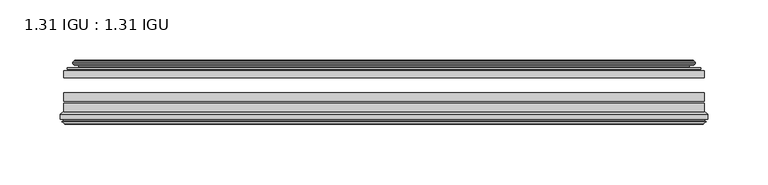
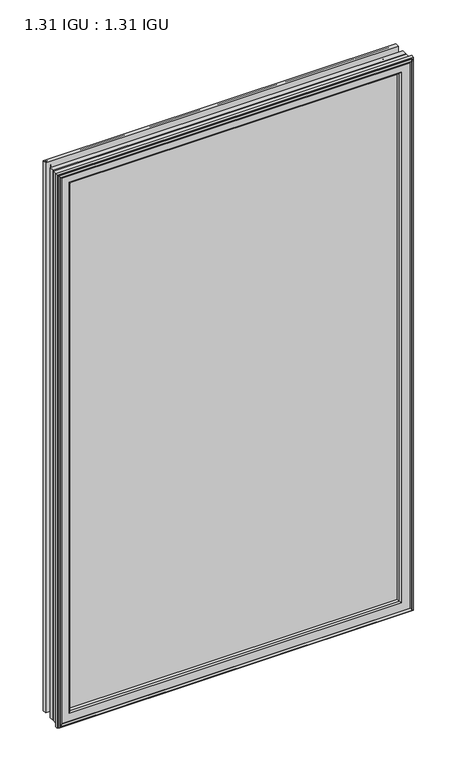
"""IFC4 building model written with IfcOpenShell, lengths in millimetres: plate geometry, 1.31 IGU : 1.31 IGU."""

from ifc_helpers import new_model, si_unit, frame, origin, place, context, project, spatial, polyline, ellipse_curve, outline, extrude, source, transform, mapped, element, save
from ifc_brep_helpers import plane_surface, cylinder_surface, revolved_surface, advanced_brep


def plate_1_31_igu_1_31_igu_5324c8da(model_context):
    return source(origin(), model_context, "Body", "SolidModel", [
        extrude(outline(polyline([(265.1083788, -44.8960875), (265.1083788, -50.4332875), (-265.1133138, -50.4332875), (-265.1133138, -44.8960875), (265.1083788, -44.8960875)])), frame((0.0, 0.0, -14.2875), z_axis=(0.0, 0.0, 1.0), x_axis=(1.0, 0.0, 0.0)), (0.0, 0.0, 1.0), 873.125),
        extrude(outline(polyline([(-265.1133138, -78.7796875), (-265.1133138, -71.7692875), (265.1083788, -71.7692875), (265.1083788, -78.7796875), (-265.1133138, -78.7796875)])), frame((0.0, 0.0, -14.2875), z_axis=(0.0, 0.0, 1.0), x_axis=(1.0, 0.0, 0.0)), (0.0, 0.0, 1.0), 873.125),
        extrude(outline(polyline([(-265.1133138, -70.2452875), (-265.1133138, -63.1332875), (265.1083788, -63.1332875), (265.1083788, -70.2452875), (-265.1133138, -70.2452875)])), frame((0.0, 0.0, -14.2875), z_axis=(0.0, 0.0, 1.0), x_axis=(1.0, 0.0, 0.0)), (0.0, 0.0, 1.0), 873.125),
        advanced_brep(
        [(-255.7679893, -37.7373382, 849.4921755), (-250.8263564, -36.3108875, 844.5505426), (-250.8263564, -36.3108875, -0.0005426), (-255.7679893, -37.7373382, -4.9421755), (-255.602884, -36.9605789, 849.3270702), (-255.602884, -36.9605789, -4.7770702), (-256.1983697, -36.4771203, 849.9225559), (-256.1983697, -36.4771203, -5.3725559), (-257.4630055, -37.766076, 851.1871917), (-257.4630055, -37.766076, -6.6371917), (-257.4521887, -38.8797852, 851.1763749), (-257.4521887, -38.8797852, -6.6263749), (-256.1707035, -40.1361433, 849.8948897), (-256.1707035, -40.1361433, -5.3448897), (-255.5656967, -39.649943, 849.2898829), (-255.5656967, -39.649943, -4.7398829), (-256.119711, -39.0959287, 849.8438972), (-256.119711, -39.0959287, -5.2938972), (-253.8339026, -38.7029881, 847.5580887), (-253.8339026, -38.7029881, -3.0080887), (-252.3748295, -40.2107282, 846.0990157), (-252.3748295, -40.2107282, -1.5490157), (-252.6714114, -41.651269, 846.3955976), (-252.6714114, -41.651269, -1.8455976), (-253.4426359, -42.2798875, 847.1668221), (-253.4426359, -42.2798875, -2.6168221), (-261.7466122, -43.4871542, 855.4707984), (-261.4714108, -42.2798875, 855.1955969), (-261.4714108, -42.2798875, -10.6455969), (-261.7466122, -43.4871542, -10.9207984), (-258.2890436, -44.8960875, 852.0132297), (-258.2890436, -44.8960875, -7.4632297), (-247.1914198, -44.023302, 840.9156059), (-247.5467577, -44.8960875, 841.2709439), (-247.5467577, -44.8960875, 3.2790561), (-247.1914198, -44.023302, 3.6343941), (-247.8626178, -43.3681812, 841.586804), (-247.8626178, -43.3681812, 2.963196), (-249.5034084, -40.6686056, 843.2275946), (-249.5034084, -40.6686056, 1.3224054), (250.8263564, -36.3108875, -0.0005426), (255.7679893, -37.7373382, -4.9421755), (255.602884, -36.9605789, -4.7770702), (256.1983697, -36.4771203, -5.3725559), (257.4630055, -37.766076, -6.6371917), (257.4521887, -38.8797852, -6.6263749), (256.1707035, -40.1361433, -5.3448897), (255.5656967, -39.649943, -4.7398829), (256.119711, -39.0959287, -5.2938972), (253.8339026, -38.7029881, -3.0080887), (252.3748295, -40.2107282, -1.5490157), (252.6714114, -41.651269, -1.8455976), (253.4426359, -42.2798875, -2.6168221), (261.4714108, -42.2798875, -10.6455969), (261.7466122, -43.4871542, -10.9207984), (258.2890436, -44.8960875, -7.4632297), (247.5467577, -44.8960875, 3.2790561), (247.1914198, -44.023302, 3.6343941), (247.8626178, -43.3681812, 2.963196), (249.5034084, -40.6686056, 1.3224054), (250.8263564, -36.3108875, 844.5505426), (255.7679893, -37.7373382, 849.4921755), (255.602884, -36.9605789, 849.3270702), (256.1983697, -36.4771203, 849.9225559), (257.4630055, -37.766076, 851.1871917), (257.4521887, -38.8797852, 851.1763749), (256.1707035, -40.1361433, 849.8948897), (255.5656967, -39.649943, 849.2898829), (256.119711, -39.0959287, 849.8438972), (253.8339026, -38.7029881, 847.5580887), (252.3748295, -40.2107282, 846.0990157), (252.6714114, -41.651269, 846.3955976), (253.4426359, -42.2798875, 847.1668221), (261.4714108, -42.2798875, 855.1955969), (261.7466122, -43.4871542, 855.4707984), (258.2890436, -44.8960875, 852.0132297), (247.5467577, -44.8960875, 841.2709439), (247.1914198, -44.023302, 840.9156059), (247.8626178, -43.3681812, 841.586804), (249.5034084, -40.6686056, 843.2275946)],
        [
            (0, 1),
            (1, 2),
            (2, 3),
            (3, 0),
            (4, 0),
            (3, 5),
            (5, 4),
            (6, 4, ellipse_curve(frame((-255.923401, -36.746901, 849.6475871), z_axis=(-0.7071067811865475, 0.0, -0.7071067811865475), x_axis=(-0.7071067811865474, 0.0, 0.7071067811865476)), 0.5447741, 0.3852135)),
            (5, 7, ellipse_curve(frame((-255.923401, -36.746901, -5.0975871), z_axis=(-0.7071067811865475, 0.0, 0.7071067811865475), x_axis=(0.7071067811865474, 0.0, 0.7071067811865476)), 0.5447741, 0.3852135)),
            (7, 6),
            (8, 6),
            (7, 9),
            (9, 8),
            (10, 8, ellipse_curve(frame((-256.9009525, -38.3175243, 850.6251387), z_axis=(-0.7071067811865475, 0.0, -0.7071067811865475), x_axis=(-0.7071067811865474, 0.0, 0.7071067811865476)), 1.1135518, 0.7874)),
            (9, 11, ellipse_curve(frame((-256.9009525, -38.3175243, -6.0751387), z_axis=(-0.7071067811865475, 0.0, 0.7071067811865475), x_axis=(0.7071067811865474, 0.0, 0.7071067811865476)), 1.1135518, 0.7874)),
            (11, 10),
            (12, 10),
            (11, 13),
            (13, 12),
            (14, 12, ellipse_curve(frame((-255.8971061, -39.8570738, 849.6212922), z_axis=(-0.7071067811865475, 0.0, -0.7071067811865475), x_axis=(-0.7071067811865474, 0.0, 0.7071067811865476)), 0.552694, 0.3908137)),
            (13, 15, ellipse_curve(frame((-255.8971061, -39.8570738, -5.0712922), z_axis=(-0.7071067811865475, 0.0, 0.7071067811865475), x_axis=(0.7071067811865474, 0.0, 0.7071067811865476)), 0.552694, 0.3908137)),
            (15, 14),
            (16, 14),
            (15, 17),
            (17, 16),
            (18, 16),
            (17, 19),
            (19, 18),
            (20, 18, ellipse_curve(frame((-253.6187399, -39.954629, 847.3429261), z_axis=(0.7071067811865475, 0.0, 0.7071067811865475), x_axis=(0.7071067811865474, 0.0, -0.7071067811865476)), 1.7960512, 1.27)),
            (19, 21, ellipse_curve(frame((-253.6187399, -39.954629, -2.7929261), z_axis=(0.7071067811865475, 0.0, -0.7071067811865475), x_axis=(-0.7071067811865474, 0.0, -0.7071067811865476)), 1.7960512, 1.27)),
            (21, 20),
            (22, 20),
            (21, 23),
            (23, 22),
            (24, 22, ellipse_curve(frame((-253.4426359, -41.4924875, 847.1668221), z_axis=(0.7071067811865475, 0.0, 0.7071067811865475), x_axis=(0.7071067811865474, 0.0, -0.7071067811865476)), 1.1135518, 0.7874)),
            (23, 25, ellipse_curve(frame((-253.4426359, -41.4924875, -2.6168221), z_axis=(0.7071067811865475, 0.0, -0.7071067811865475), x_axis=(-0.7071067811865474, 0.0, -0.7071067811865476)), 1.1135518, 0.7874)),
            (25, 24),
            (26, 27, ellipse_curve(frame((-261.4714108, -42.9148875, 855.1955969), z_axis=(-0.7071067811865475, 0.0, -0.7071067811865475), x_axis=(-0.7071067811865474, 0.0, 0.7071067811865476)), 0.8980256, 0.635)),
            (27, 28),
            (28, 29, ellipse_curve(frame((-261.4714108, -42.9148875, -10.6455969), z_axis=(-0.7071067811865475, 0.0, 0.7071067811865475), x_axis=(0.7071067811865474, 0.0, 0.7071067811865476)), 0.8980256, 0.635)),
            (29, 26),
            (30, 26),
            (29, 31),
            (31, 30),
            (32, 33, ellipse_curve(frame((-247.5467577, -44.3873602, 841.2709439), z_axis=(-0.7071067811865475, 0.0, -0.7071067811865475), x_axis=(-0.7071067811865474, 0.0, 0.7071067811865476)), 0.719449, 0.5087273)),
            (33, 34),
            (34, 35, ellipse_curve(frame((-247.5467577, -44.3873602, 3.2790561), z_axis=(-0.7071067811865475, 0.0, 0.7071067811865475), x_axis=(0.7071067811865474, 0.0, 0.7071067811865476)), 0.719449, 0.5087273)),
            (35, 32),
            (36, 32),
            (35, 37),
            (37, 36),
            (38, 36, ellipse_curve(frame((-243.4272436, -38.823959, 837.1514298), z_axis=(0.7071067811865475, 0.0, 0.7071067811865475), x_axis=(0.7071067811865474, 0.0, -0.7071067811865476)), 8.9802561, 6.35)),
            (37, 39, ellipse_curve(frame((-243.4272436, -38.823959, 7.3985702), z_axis=(0.7071067811865475, 0.0, -0.7071067811865475), x_axis=(-0.7071067811865474, 0.0, -0.7071067811865476)), 8.9802561, 6.35)),
            (39, 38),
            (1, 38),
            (39, 2),
            (2, 40),
            (40, 41),
            (41, 3),
            (41, 42),
            (42, 5),
            (42, 43, ellipse_curve(frame((255.923401, -36.746901, -5.0975871), z_axis=(-0.7071067811865475, 0.0, -0.7071067811865475), x_axis=(-0.7071067811865476, 0.0, 0.7071067811865474)), 0.5447741, 0.3852135)),
            (43, 7),
            (43, 44),
            (44, 9),
            (44, 45, ellipse_curve(frame((256.9009525, -38.3175243, -6.0751387), z_axis=(-0.7071067811865475, 0.0, -0.7071067811865475), x_axis=(-0.7071067811865476, 0.0, 0.7071067811865474)), 1.1135518, 0.7874)),
            (45, 11),
            (45, 46),
            (46, 13),
            (46, 47, ellipse_curve(frame((255.8971061, -39.8570738, -5.0712922), z_axis=(-0.7071067811865475, 0.0, -0.7071067811865475), x_axis=(-0.7071067811865476, 0.0, 0.7071067811865474)), 0.552694, 0.3908137)),
            (47, 15),
            (47, 48),
            (48, 17),
            (48, 49),
            (49, 19),
            (49, 50, ellipse_curve(frame((253.6187399, -39.954629, -2.7929261), z_axis=(0.7071067811865475, 0.0, 0.7071067811865475), x_axis=(0.7071067811865476, 0.0, -0.7071067811865474)), 1.7960512, 1.27)),
            (50, 21),
            (50, 51),
            (51, 23),
            (51, 52, ellipse_curve(frame((253.4426359, -41.4924875, -2.6168221), z_axis=(0.7071067811865475, 0.0, 0.7071067811865475), x_axis=(0.7071067811865476, 0.0, -0.7071067811865474)), 1.1135518, 0.7874)),
            (52, 25),
            (28, 53),
            (53, 54, ellipse_curve(frame((261.4714108, -42.9148875, -10.6455969), z_axis=(-0.7071067811865475, 0.0, -0.7071067811865475), x_axis=(-0.7071067811865476, 0.0, 0.7071067811865474)), 0.8980256, 0.635)),
            (54, 29),
            (54, 55),
            (55, 31),
            (34, 56),
            (56, 57, ellipse_curve(frame((247.5467577, -44.3873602, 3.2790561), z_axis=(-0.7071067811865475, 0.0, -0.7071067811865475), x_axis=(-0.7071067811865476, 0.0, 0.7071067811865474)), 0.719449, 0.5087273)),
            (57, 35),
            (57, 58),
            (58, 37),
            (58, 59, ellipse_curve(frame((243.4272436, -38.823959, 7.3985702), z_axis=(0.7071067811865475, 0.0, 0.7071067811865475), x_axis=(0.7071067811865476, 0.0, -0.7071067811865474)), 8.9802561, 6.35)),
            (59, 39),
            (59, 40),
            (40, 60),
            (60, 61),
            (61, 41),
            (61, 62),
            (62, 42),
            (62, 63, ellipse_curve(frame((255.923401, -36.746901, 849.6475871), z_axis=(0.7071067811865475, 0.0, -0.7071067811865475), x_axis=(-0.7071067811865474, 0.0, -0.7071067811865476)), 0.5447741, 0.3852135)),
            (63, 43),
            (63, 64),
            (64, 44),
            (64, 65, ellipse_curve(frame((256.9009525, -38.3175243, 850.6251387), z_axis=(0.7071067811865475, 0.0, -0.7071067811865475), x_axis=(-0.7071067811865474, 0.0, -0.7071067811865476)), 1.1135518, 0.7874)),
            (65, 45),
            (65, 66),
            (66, 46),
            (66, 67, ellipse_curve(frame((255.8971061, -39.8570738, 849.6212922), z_axis=(0.7071067811865475, 0.0, -0.7071067811865475), x_axis=(-0.7071067811865474, 0.0, -0.7071067811865476)), 0.552694, 0.3908137)),
            (67, 47),
            (67, 68),
            (68, 48),
            (68, 69),
            (69, 49),
            (69, 70, ellipse_curve(frame((253.6187399, -39.954629, 847.3429261), z_axis=(-0.7071067811865475, 0.0, 0.7071067811865475), x_axis=(0.7071067811865474, 0.0, 0.7071067811865476)), 1.7960512, 1.27)),
            (70, 50),
            (70, 71),
            (71, 51),
            (71, 72, ellipse_curve(frame((253.4426359, -41.4924875, 847.1668221), z_axis=(-0.7071067811865475, 0.0, 0.7071067811865475), x_axis=(0.7071067811865474, 0.0, 0.7071067811865476)), 1.1135518, 0.7874)),
            (72, 52),
            (53, 73),
            (73, 74, ellipse_curve(frame((261.4714108, -42.9148875, 855.1955969), z_axis=(0.7071067811865475, 0.0, -0.7071067811865475), x_axis=(-0.7071067811865474, 0.0, -0.7071067811865476)), 0.8980256, 0.635)),
            (74, 54),
            (74, 75),
            (75, 55),
            (56, 76),
            (76, 77, ellipse_curve(frame((247.5467577, -44.3873602, 841.2709439), z_axis=(0.7071067811865475, 0.0, -0.7071067811865475), x_axis=(-0.7071067811865474, 0.0, -0.7071067811865476)), 0.719449, 0.5087273)),
            (77, 57),
            (77, 78),
            (78, 58),
            (78, 79, ellipse_curve(frame((243.4272436, -38.823959, 837.1514298), z_axis=(-0.7071067811865475, 0.0, 0.7071067811865475), x_axis=(0.7071067811865474, 0.0, 0.7071067811865476)), 8.9802561, 6.35)),
            (79, 59),
            (79, 60),
            (60, 1),
            (0, 61),
            (4, 62),
            (6, 63),
            (8, 64),
            (10, 65),
            (12, 66),
            (14, 67),
            (16, 68),
            (18, 69),
            (20, 70),
            (22, 71),
            (24, 72),
            (27, 73),
            (26, 74),
            (30, 75),
            (33, 76),
            (32, 77),
            (36, 78),
            (38, 79),
        ],
        [
            plane_surface(frame((-250.8263564, -36.3108875, 844.5505426), z_axis=(-0.2773364928492854, 0.9607728502273877, 0.0), x_axis=(0.0, 0.0, -1.0))),
            plane_surface(frame((-255.7679893, -37.7373382, 849.4921755), z_axis=(0.9781476007338358, -0.2079116908176177, 0.0), x_axis=(0.0, 0.0, -1.0))),
            cylinder_surface(frame((-255.923401, -36.746901, 876.3), z_axis=(0.0, 0.0, 1.0), x_axis=(-1.0, 0.0, 0.0)), 0.3852135),
            plane_surface(frame((-256.1983697, -36.4771203, 849.9225559), z_axis=(-0.7138087599382162, 0.7003406701280928, 0.0), x_axis=(0.0, 0.0, -1.0))),
            cylinder_surface(frame((-256.9009525, -38.3175243, 876.3), z_axis=(0.0, 0.0, 1.0), x_axis=(-1.0, 0.0, 0.0)), 0.7874),
            plane_surface(frame((-257.4521887, -38.8797852, 851.1763749), z_axis=(-0.7000714109283732, -0.7140728391423082, 0.0), x_axis=(0.0, 0.0, -1.0))),
            cylinder_surface(frame((-255.8971061, -39.8570738, 876.3), z_axis=(0.0, 0.0, 1.0), x_axis=(-1.0, 0.0, 0.0)), 0.3908137),
            plane_surface(frame((-255.5656967, -39.649943, 849.2898829), z_axis=(0.7071067811861126, 0.7071067811869826, 0.0), x_axis=(0.0, 0.0, -1.0))),
            plane_surface(frame((-256.119711, -39.0959287, 849.8438972), z_axis=(0.16941940671011482, -0.9855440449974789, 0.0), x_axis=(0.0, 0.0, -1.0))),
            revolved_surface(polyline([(-254.88873990000002, -39.954629, -4.0629260828783345), (-254.88873990000002, -39.954629, 848.6129260828783)]), (-253.6187399, -39.954629, 876.3), (0.0, 0.0, -1.0)),
            plane_surface(frame((-252.3748295, -40.2107282, 846.0990157), z_axis=(-0.9794570432566897, 0.201652920670302, 0.0), x_axis=(0.0, 0.0, -1.0))),
            revolved_surface(polyline([(-254.2300359, -41.4924875, -3.4042221289824965), (-254.2300359, -41.4924875, 847.9542221289825)]), (-253.4426359, -41.4924875, 876.3), (0.0, 0.0, -1.0)),
            cylinder_surface(frame((-261.4714108, -42.9148875, 876.3), z_axis=(0.0, 0.0, 1.0), x_axis=(-1.0, 0.0, 0.0)), 0.635),
            plane_surface(frame((-261.7466122, -43.4871542, 855.4707984), z_axis=(-0.37736447542757934, -0.9260648209954139, 0.0), x_axis=(0.0, 0.0, -1.0))),
            cylinder_surface(frame((-247.5467577, -44.3873602, 876.3), z_axis=(0.0, 0.0, 1.0), x_axis=(-1.0, 0.0, 0.0)), 0.5087273),
            plane_surface(frame((-247.1914198, -44.023302, 840.9156059), z_axis=(0.698484125849927, 0.7156255486884628, 0.0), x_axis=(0.0, 0.0, -1.0))),
            revolved_surface(polyline([(-249.7772436, -38.823959, 1.0485702148981773), (-249.7772436, -38.823959, 843.5014297851018)]), (-243.4272436, -38.823959, 876.3), (0.0, 0.0, -1.0)),
            plane_surface(frame((-249.5034084, -40.6686056, 843.2275946), z_axis=(0.9568763473517009, 0.2904955350411895, 0.0), x_axis=(0.0, 0.0, -1.0))),
            plane_surface(frame((-250.8263564, -36.3108875, -0.0005426), z_axis=(0.0, 0.9607728502273868, -0.2773364928492885), x_axis=(1.0, 0.0, 0.0))),
            plane_surface(frame((-255.7679893, -37.7373382, -4.9421755), z_axis=(0.0, -0.20791169081761454, 0.9781476007338364), x_axis=(1.0, 0.0, 0.0))),
            cylinder_surface(frame((-282.5758138, -36.746901, -5.0975871), z_axis=(-1.0, 0.0, 0.0), x_axis=(0.0, 0.0, -1.0)), 0.3852135),
            plane_surface(frame((-256.1983697, -36.4771203, -5.3725559), z_axis=(0.0, 0.7003406701280904, -0.7138087599382185), x_axis=(1.0, 0.0, 0.0))),
            cylinder_surface(frame((-282.5758138, -38.3175243, -6.0751387), z_axis=(-1.0, 0.0, 0.0), x_axis=(0.0, 0.0, -1.0)), 0.7874),
            plane_surface(frame((-257.4521887, -38.8797852, -6.6263749), z_axis=(0.0, -0.7140728391423105, -0.7000714109283709), x_axis=(1.0, 0.0, 0.0))),
            cylinder_surface(frame((-282.5758138, -39.8570738, -5.0712922), z_axis=(-1.0, 0.0, 0.0), x_axis=(0.0, 0.0, -1.0)), 0.3908137),
            plane_surface(frame((-255.5656967, -39.649943, -4.7398829), z_axis=(0.0, 0.7071067811869849, 0.7071067811861103), x_axis=(1.0, 0.0, 0.0))),
            plane_surface(frame((-256.119711, -39.0959287, -5.2938972), z_axis=(0.0, -0.9855440449974784, 0.16941940671011801), x_axis=(1.0, 0.0, 0.0))),
            revolved_surface(polyline([(254.88873988287833, -39.954629, -4.0629261), (-254.88873988287824, -39.954629, -4.0629261)]), (-282.5758138, -39.954629, -2.7929261), (1.0, 0.0, 0.0)),
            plane_surface(frame((-252.3748295, -40.2107282, -1.5490157), z_axis=(0.0, 0.20165292067029883, -0.9794570432566904), x_axis=(1.0, 0.0, 0.0))),
            revolved_surface(polyline([(254.2300359289825, -41.4924875, -3.4042220999999997), (-254.2300359289825, -41.4924875, -3.4042220999999997)]), (-282.5758138, -41.4924875, -2.6168221), (1.0, 0.0, 0.0)),
            cylinder_surface(frame((-282.5758138, -42.9148875, -10.6455969), z_axis=(-1.0, 0.0, 0.0), x_axis=(0.0, 0.0, -1.0)), 0.635),
            plane_surface(frame((-261.7466122, -43.4871542, -10.9207984), z_axis=(0.0, -0.9260648209954151, -0.37736447542757634), x_axis=(1.0, 0.0, 0.0))),
            cylinder_surface(frame((-282.5758138, -44.3873602, 3.2790561), z_axis=(-1.0, 0.0, 0.0), x_axis=(0.0, 0.0, -1.0)), 0.5087273),
            plane_surface(frame((-247.1914198, -44.023302, 3.6343941), z_axis=(0.0, 0.7156255486884651, 0.6984841258499247), x_axis=(1.0, 0.0, 0.0))),
            revolved_surface(polyline([(249.77724358510181, -38.823959, 1.0485702000000003), (-249.77724358510187, -38.823959, 1.0485702000000003)]), (-282.5758138, -38.823959, 7.3985702), (1.0, 0.0, 0.0)),
            plane_surface(frame((-249.5034084, -40.6686056, 1.3224054), z_axis=(0.0, 0.29049553504119263, 0.9568763473517), x_axis=(1.0, 0.0, 0.0))),
            plane_surface(frame((250.8263564, -36.3108875, -0.0005426), z_axis=(0.2773364928492916, 0.9607728502273859, 0.0), x_axis=(0.0, 0.0, 1.0))),
            plane_surface(frame((255.7679893, -37.7373382, -4.9421755), z_axis=(-0.9781476007338371, -0.20791169081761138, 0.0), x_axis=(0.0, 0.0, 1.0))),
            cylinder_surface(frame((255.923401, -36.746901, -31.75), z_axis=(0.0, 0.0, -1.0), x_axis=(1.0, 0.0, 0.0)), 0.3852135),
            plane_surface(frame((256.1983697, -36.4771203, -5.3725559), z_axis=(0.7138087599382208, 0.7003406701280882, 0.0), x_axis=(0.0, 0.0, 1.0))),
            cylinder_surface(frame((256.9009525, -38.3175243, -31.75), z_axis=(0.0, 0.0, -1.0), x_axis=(1.0, 0.0, 0.0)), 0.7874),
            plane_surface(frame((257.4521887, -38.8797852, -6.6263749), z_axis=(0.7000714109283687, -0.7140728391423128, 0.0), x_axis=(0.0, 0.0, 1.0))),
            cylinder_surface(frame((255.8971061, -39.8570738, -31.75), z_axis=(0.0, 0.0, -1.0), x_axis=(1.0, 0.0, 0.0)), 0.3908137),
            plane_surface(frame((255.5656967, -39.649943, -4.7398829), z_axis=(-0.7071067811861079, 0.7071067811869872, 0.0), x_axis=(0.0, 0.0, 1.0))),
            plane_surface(frame((256.119711, -39.0959287, -5.2938972), z_axis=(-0.1694194067101212, -0.9855440449974778, 0.0), x_axis=(0.0, 0.0, 1.0))),
            revolved_surface(polyline([(254.88873990000002, -39.954629, 848.6129260828783), (254.88873990000002, -39.954629, -4.062926082878235)]), (253.6187399, -39.954629, -31.75), (0.0, 0.0, 1.0)),
            plane_surface(frame((252.3748295, -40.2107282, -1.5490157), z_axis=(0.979457043256691, 0.20165292067029567, 0.0), x_axis=(0.0, 0.0, 1.0))),
            revolved_surface(polyline([(254.2300359, -41.4924875, 847.9542221289825), (254.2300359, -41.4924875, -3.404222128982486)]), (253.4426359, -41.4924875, -31.75), (0.0, 0.0, 1.0)),
            cylinder_surface(frame((261.4714108, -42.9148875, -31.75), z_axis=(0.0, 0.0, -1.0), x_axis=(1.0, 0.0, 0.0)), 0.635),
            plane_surface(frame((261.7466122, -43.4871542, -10.9207984), z_axis=(0.37736447542757334, -0.9260648209954163, 0.0), x_axis=(0.0, 0.0, 1.0))),
            cylinder_surface(frame((247.5467577, -44.3873602, -31.75), z_axis=(0.0, 0.0, -1.0), x_axis=(1.0, 0.0, 0.0)), 0.5087273),
            plane_surface(frame((247.1914198, -44.023302, 3.6343941), z_axis=(-0.6984841258499224, 0.7156255486884673, 0.0), x_axis=(0.0, 0.0, 1.0))),
            revolved_surface(polyline([(249.7772436, -38.823959, 843.5014297851018), (249.7772436, -38.823959, 1.0485702148981417)]), (243.4272436, -38.823959, -31.75), (0.0, 0.0, 1.0)),
            plane_surface(frame((249.5034084, -40.6686056, 1.3224054), z_axis=(-0.9568763473516991, 0.29049553504119574, 0.0), x_axis=(0.0, 0.0, 1.0))),
            plane_surface(frame((250.8263564, -36.3108875, 844.5505426), z_axis=(0.0, 0.9607728502273868, 0.2773364928492885), x_axis=(-1.0, 0.0, 0.0))),
            plane_surface(frame((255.7679893, -37.7373382, 849.4921755), z_axis=(0.0, -0.20791169081761454, -0.9781476007338364), x_axis=(-1.0, 0.0, 0.0))),
            cylinder_surface(frame((282.5758138, -36.746901, 849.6475871), z_axis=(1.0, 0.0, 0.0), x_axis=(0.0, 0.0, 1.0)), 0.3852135),
            plane_surface(frame((256.1983697, -36.4771203, 849.9225559), z_axis=(0.0, 0.7003406701280904, 0.7138087599382185), x_axis=(-1.0, 0.0, 0.0))),
            cylinder_surface(frame((282.5758138, -38.3175243, 850.6251387), z_axis=(1.0, 0.0, 0.0), x_axis=(0.0, 0.0, 1.0)), 0.7874),
            plane_surface(frame((257.4521887, -38.8797852, 851.1763749), z_axis=(0.0, -0.7140728391423106, 0.700071410928371), x_axis=(-1.0, 0.0, 0.0))),
            cylinder_surface(frame((282.5758138, -39.8570738, 849.6212922), z_axis=(1.0, 0.0, 0.0), x_axis=(0.0, 0.0, 1.0)), 0.3908137),
            plane_surface(frame((255.5656967, -39.649943, 849.2898829), z_axis=(0.0, 0.7071067811869849, -0.7071067811861103), x_axis=(-1.0, 0.0, 0.0))),
            plane_surface(frame((256.119711, -39.0959287, 849.8438972), z_axis=(0.0, -0.9855440449974784, -0.16941940671011801), x_axis=(-1.0, 0.0, 0.0))),
            revolved_surface(polyline([(-254.88873988287833, -39.954629, 848.6129261), (254.88873988287824, -39.954629, 848.6129261)]), (282.5758138, -39.954629, 847.3429261), (-1.0, 0.0, 0.0)),
            plane_surface(frame((252.3748295, -40.2107282, 846.0990157), z_axis=(0.0, 0.20165292067029883, 0.9794570432566904), x_axis=(-1.0, 0.0, 0.0))),
            revolved_surface(polyline([(-254.2300359289825, -41.4924875, 847.9542221), (254.2300359289825, -41.4924875, 847.9542221)]), (282.5758138, -41.4924875, 847.1668221), (-1.0, 0.0, 0.0)),
            plane_surface(frame((253.4426359, -42.2798875, 847.1668221), z_axis=(0.0, 1.0, 0.0), x_axis=(-1.0, 0.0, 0.0))),
            cylinder_surface(frame((282.5758138, -42.9148875, 855.1955969), z_axis=(1.0, 0.0, 0.0), x_axis=(0.0, 0.0, 1.0)), 0.635),
            plane_surface(frame((261.7466122, -43.4871542, 855.4707984), z_axis=(0.0, -0.9260648209954151, 0.37736447542757634), x_axis=(-1.0, 0.0, 0.0))),
            plane_surface(frame((258.2890436, -44.8960875, 852.0132297), z_axis=(0.0, -1.0, 0.0), x_axis=(-1.0, 0.0, 0.0))),
            cylinder_surface(frame((282.5758138, -44.3873602, 841.2709439), z_axis=(1.0, 0.0, 0.0), x_axis=(0.0, 0.0, 1.0)), 0.5087273),
            plane_surface(frame((247.1914198, -44.023302, 840.9156059), z_axis=(0.0, 0.7156255486884651, -0.6984841258499247), x_axis=(-1.0, 0.0, 0.0))),
            revolved_surface(polyline([(-249.77724358510181, -38.823959, 843.5014298), (249.77724358510187, -38.823959, 843.5014298)]), (282.5758138, -38.823959, 837.1514298), (-1.0, 0.0, 0.0)),
            plane_surface(frame((249.5034084, -40.6686056, 843.2275946), z_axis=(0.0, 0.29049553504119263, -0.9568763473517), x_axis=(-1.0, 0.0, 0.0))),
        ],
        [
            (0, [[1, 2, 3, 4]]),
            (1, [[5, -4, 6, 7]]),
            (2, [[8, -7, 9, 10]]),
            (3, [[11, -10, 12, 13]]),
            (4, [[14, -13, 15, 16]]),
            (5, [[17, -16, 18, 19]]),
            (6, [[20, -19, 21, 22]]),
            (7, [[23, -22, 24, 25]]),
            (8, [[26, -25, 27, 28]]),
            (9, [[29, -28, 30, 31]]),
            (10, [[32, -31, 33, 34]]),
            (11, [[35, -34, 36, 37]]),
            (12, [[38, 39, 40, 41]]),
            (13, [[42, -41, 43, 44]]),
            (14, [[45, 46, 47, 48]]),
            (15, [[49, -48, 50, 51]]),
            (16, [[52, -51, 53, 54]]),
            (17, [[55, -54, 56, -2]]),
            (18, [[-3, 57, 58, 59]]),
            (19, [[-6, -59, 60, 61]]),
            (20, [[-9, -61, 62, 63]]),
            (21, [[-12, -63, 64, 65]]),
            (22, [[-15, -65, 66, 67]]),
            (23, [[-18, -67, 68, 69]]),
            (24, [[-21, -69, 70, 71]]),
            (25, [[-24, -71, 72, 73]]),
            (26, [[-27, -73, 74, 75]]),
            (27, [[-30, -75, 76, 77]]),
            (28, [[-33, -77, 78, 79]]),
            (29, [[-36, -79, 80, 81]]),
            (30, [[-40, 82, 83, 84]]),
            (31, [[-43, -84, 85, 86]]),
            (32, [[-47, 87, 88, 89]]),
            (33, [[-50, -89, 90, 91]]),
            (34, [[-53, -91, 92, 93]]),
            (35, [[-56, -93, 94, -57]]),
            (36, [[-58, 95, 96, 97]]),
            (37, [[-60, -97, 98, 99]]),
            (38, [[-62, -99, 100, 101]]),
            (39, [[-64, -101, 102, 103]]),
            (40, [[-66, -103, 104, 105]]),
            (41, [[-68, -105, 106, 107]]),
            (42, [[-70, -107, 108, 109]]),
            (43, [[-72, -109, 110, 111]]),
            (44, [[-74, -111, 112, 113]]),
            (45, [[-76, -113, 114, 115]]),
            (46, [[-78, -115, 116, 117]]),
            (47, [[-80, -117, 118, 119]]),
            (48, [[-83, 120, 121, 122]]),
            (49, [[-85, -122, 123, 124]]),
            (50, [[-88, 125, 126, 127]]),
            (51, [[-90, -127, 128, 129]]),
            (52, [[-92, -129, 130, 131]]),
            (53, [[-94, -131, 132, -95]]),
            (54, [[-96, 133, -1, 134]]),
            (55, [[-98, -134, -5, 135]]),
            (56, [[-100, -135, -8, 136]]),
            (57, [[-102, -136, -11, 137]]),
            (58, [[-104, -137, -14, 138]]),
            (59, [[-106, -138, -17, 139]]),
            (60, [[-108, -139, -20, 140]]),
            (61, [[-110, -140, -23, 141]]),
            (62, [[-112, -141, -26, 142]]),
            (63, [[-114, -142, -29, 143]]),
            (64, [[-116, -143, -32, 144]]),
            (65, [[-118, -144, -35, 145]]),
            (66, [[146, -120, -82, -39], [-81, -119, -145, -37]]),
            (67, [[-121, -146, -38, 147]]),
            (68, [[-123, -147, -42, 148]]),
            (69, [[-86, -124, -148, -44], [149, -125, -87, -46]]),
            (70, [[-126, -149, -45, 150]]),
            (71, [[-128, -150, -49, 151]]),
            (72, [[-130, -151, -52, 152]]),
            (73, [[-132, -152, -55, -133]]),
        ],
    ),
        advanced_brep(
        [(-248.1382632, -83.3389875, 841.8624494), (-249.9133294, -85.1296875, 843.6375155), (-249.9133294, -85.1296875, 0.9124845), (-248.1382632, -83.3389875, 2.6875506), (-247.115054, -78.7796875, 840.8392401), (-247.115054, -78.7796875, 3.7107599), (-267.695763, -80.9740477, 861.4199491), (-265.5014027, -78.7796875, 859.2255889), (-265.5014027, -78.7796875, -14.6755889), (-267.695763, -80.9740477, -16.8699491), (-267.695763, -85.1296875, 861.4199491), (-267.695763, -85.1296875, -16.8699491), (-265.1707028, -86.3747112, 858.8948889), (-265.9219297, -85.1296875, 859.6461159), (-265.9219297, -85.1296875, -15.0961159), (-265.1707028, -86.3747112, -14.3448889), (-264.8611737, -87.6502863, 858.5853598), (-264.8611737, -87.6502863, -14.0353598), (-265.8792871, -87.2076396, 859.6034732), (-265.8792871, -87.2076396, -15.0534732), (-264.1922977, -88.8840626, 857.9164838), (-266.6739971, -87.2076396, 860.3981832), (-266.6739971, -87.2076396, -15.8481832), (-264.1922977, -88.8840626, -13.3664838), (-262.0404723, -86.9401656, 855.7646584), (-262.0404723, -86.9401656, -11.2146584), (-263.7478265, -87.5528811, 857.4720126), (-262.8220453, -86.9401656, 856.5462314), (-262.8220453, -86.9401656, -11.9962314), (-263.7478265, -87.5528811, -12.9220126), (-263.6645011, -86.2429356, 857.3886873), (-263.6645011, -86.2429356, -12.8386873), (-263.0662631, -85.1296875, 856.7904492), (-263.0662631, -85.1296875, -12.2404492), (249.9133294, -85.1296875, 0.9124845), (248.1382632, -83.3389875, 2.6875506), (247.115054, -78.7796875, 3.7107599), (265.5014027, -78.7796875, -14.6755889), (267.695763, -80.9740477, -16.8699491), (267.695763, -85.1296875, -16.8699491), (265.9219297, -85.1296875, -15.0961159), (265.1707028, -86.3747112, -14.3448889), (264.8611737, -87.6502863, -14.0353598), (265.8792871, -87.2076396, -15.0534732), (266.6739971, -87.2076396, -15.8481832), (264.1922977, -88.8840626, -13.3664838), (262.0404723, -86.9401656, -11.2146584), (262.8220453, -86.9401656, -11.9962314), (263.7478265, -87.5528811, -12.9220126), (263.6645011, -86.2429356, -12.8386873), (263.0662631, -85.1296875, -12.2404492), (249.9133294, -85.1296875, 843.6375155), (248.1382632, -83.3389875, 841.8624494), (247.115054, -78.7796875, 840.8392401), (265.5014027, -78.7796875, 859.2255889), (267.695763, -80.9740477, 861.4199491), (267.695763, -85.1296875, 861.4199491), (265.9219297, -85.1296875, 859.6461159), (265.1707028, -86.3747112, 858.8948889), (264.8611737, -87.6502863, 858.5853598), (265.8792871, -87.2076396, 859.6034732), (266.6739971, -87.2076396, 860.3981832), (264.1922977, -88.8840626, 857.9164838), (262.0404723, -86.9401656, 855.7646584), (262.8220453, -86.9401656, 856.5462314), (263.7478265, -87.5528811, 857.4720126), (263.6645011, -86.2429356, 857.3886873), (263.0662631, -85.1296875, 856.7904492)],
        [
            (0, 1, ellipse_curve(frame((-250.1647643, -83.1053133, 843.8889505), z_axis=(-0.7071067811865475, 0.0, -0.7071067811865475), x_axis=(-0.7071067811865474, 0.0, 0.7071067811865476)), 2.8848953, 2.039929)),
            (1, 2),
            (2, 3, ellipse_curve(frame((-250.1647643, -83.1053133, 0.6610495), z_axis=(-0.7071067811865475, 0.0, 0.7071067811865475), x_axis=(0.7071067811865474, 0.0, 0.7071067811865476)), 2.8848953, 2.039929)),
            (3, 0),
            (4, 0),
            (3, 5),
            (5, 4),
            (6, 7),
            (7, 8),
            (8, 9),
            (9, 6),
            (10, 6),
            (9, 11),
            (11, 10),
            (12, 13),
            (13, 14),
            (14, 15),
            (15, 12),
            (16, 12),
            (15, 17),
            (17, 16),
            (18, 16),
            (17, 19),
            (19, 18),
            (20, 21),
            (21, 22),
            (22, 23),
            (23, 20),
            (24, 20),
            (23, 25),
            (25, 24),
            (26, 27),
            (27, 28),
            (28, 29),
            (29, 26),
            (30, 26),
            (29, 31),
            (31, 30),
            (32, 30),
            (31, 33),
            (33, 32),
            (2, 34),
            (34, 35, ellipse_curve(frame((250.1647643, -83.1053133, 0.6610495), z_axis=(-0.7071067811865475, 0.0, -0.7071067811865475), x_axis=(-0.7071067811865476, 0.0, 0.7071067811865474)), 2.8848953, 2.039929)),
            (35, 3),
            (35, 36),
            (36, 5),
            (8, 37),
            (37, 38),
            (38, 9),
            (38, 39),
            (39, 11),
            (14, 40),
            (40, 41),
            (41, 15),
            (41, 42),
            (42, 17),
            (42, 43),
            (43, 19),
            (22, 44),
            (44, 45),
            (45, 23),
            (45, 46),
            (46, 25),
            (28, 47),
            (47, 48),
            (48, 29),
            (48, 49),
            (49, 31),
            (49, 50),
            (50, 33),
            (34, 51),
            (51, 52, ellipse_curve(frame((250.1647643, -83.1053133, 843.8889505), z_axis=(0.7071067811865475, 0.0, -0.7071067811865475), x_axis=(-0.7071067811865474, 0.0, -0.7071067811865476)), 2.8848953, 2.039929)),
            (52, 35),
            (52, 53),
            (53, 36),
            (37, 54),
            (54, 55),
            (55, 38),
            (55, 56),
            (56, 39),
            (40, 57),
            (57, 58),
            (58, 41),
            (58, 59),
            (59, 42),
            (59, 60),
            (60, 43),
            (44, 61),
            (61, 62),
            (62, 45),
            (62, 63),
            (63, 46),
            (47, 64),
            (64, 65),
            (65, 48),
            (65, 66),
            (66, 49),
            (66, 67),
            (67, 50),
            (51, 1),
            (0, 52),
            (4, 53),
            (7, 54),
            (6, 55),
            (10, 56),
            (13, 57),
            (12, 58),
            (16, 59),
            (18, 60),
            (21, 61),
            (20, 62),
            (24, 63),
            (27, 64),
            (26, 65),
            (30, 66),
            (32, 67),
        ],
        [
            cylinder_surface(frame((-250.1647643, -83.1053133, 876.3), z_axis=(0.0, 0.0, 1.0), x_axis=(-1.0, 0.0, 0.0)), 2.039929),
            plane_surface(frame((-248.1382632, -83.3389875, 841.8624494), z_axis=(0.9757302952562701, -0.2189757770145185, 0.0), x_axis=(0.0, 0.0, -1.0))),
            plane_surface(frame((-265.5014027, -78.7796875, 859.2255889), z_axis=(-0.7071067811871722, 0.7071067811859229, 0.0), x_axis=(0.0, 0.0, -1.0))),
            plane_surface(frame((-267.695763, -80.9740477, 861.4199491), z_axis=(-1.0, 0.0, 0.0), x_axis=(0.0, 0.0, -1.0))),
            plane_surface(frame((-265.9219297, -85.1296875, 859.6461159), z_axis=(-0.8562121193263807, -0.516624434883434, 0.0), x_axis=(0.0, 0.0, -1.0))),
            plane_surface(frame((-265.1707028, -86.3747112, 858.8948889), z_axis=(-0.9717979666139347, -0.23581499546259124, 0.0), x_axis=(0.0, 0.0, -1.0))),
            plane_surface(frame((-264.8611737, -87.6502863, 858.5853598), z_axis=(0.3987175451776161, 0.9170737806564615, 0.0), x_axis=(0.0, 0.0, -1.0))),
            plane_surface(frame((-266.6739971, -87.2076396, 860.3981832), z_axis=(-0.5597655002239059, -0.8286510633306884, 0.0), x_axis=(0.0, 0.0, -1.0))),
            plane_surface(frame((-264.1922977, -88.8840626, 857.9164838), z_axis=(0.670345652676111, -0.7420489916024674, 0.0), x_axis=(0.0, 0.0, -1.0))),
            plane_surface(frame((-262.8220453, -86.9401656, 856.5462314), z_axis=(-0.5519083205498945, 0.8339047941508642, 0.0), x_axis=(0.0, 0.0, -1.0))),
            plane_surface(frame((-263.7478265, -87.5528811, 857.4720126), z_axis=(0.9979830161114805, -0.06348148984572213, 0.0), x_axis=(0.0, 0.0, -1.0))),
            plane_surface(frame((-263.6645011, -86.2429356, 857.3886873), z_axis=(0.8808682216207324, -0.47336157019632297, 0.0), x_axis=(0.0, 0.0, -1.0))),
            cylinder_surface(frame((-282.5758138, -83.1053133, 0.6610495), z_axis=(-1.0, 0.0, 0.0), x_axis=(0.0, 0.0, -1.0)), 2.039929),
            plane_surface(frame((-248.1382632, -83.3389875, 2.6875506), z_axis=(0.0, -0.21897577701451534, 0.9757302952562708), x_axis=(1.0, 0.0, 0.0))),
            plane_surface(frame((-265.5014027, -78.7796875, -14.6755889), z_axis=(0.0, 0.7071067811859205, -0.7071067811871745), x_axis=(1.0, 0.0, 0.0))),
            plane_surface(frame((-267.695763, -80.9740477, -16.8699491), z_axis=(0.0, 0.0, -1.0), x_axis=(1.0, 0.0, 0.0))),
            plane_surface(frame((-265.9219297, -85.1296875, -15.0961159), z_axis=(0.0, -0.5166244348834368, -0.8562121193263791), x_axis=(1.0, 0.0, 0.0))),
            plane_surface(frame((-265.1707028, -86.3747112, -14.3448889), z_axis=(0.0, -0.23581499546259438, -0.9717979666139339), x_axis=(1.0, 0.0, 0.0))),
            plane_surface(frame((-264.8611737, -87.6502863, -14.0353598), z_axis=(0.0, 0.9170737806564628, 0.39871754517761315), x_axis=(1.0, 0.0, 0.0))),
            plane_surface(frame((-266.6739971, -87.2076396, -15.8481832), z_axis=(0.0, -0.8286510633306902, -0.5597655002239033), x_axis=(1.0, 0.0, 0.0))),
            plane_surface(frame((-264.1922977, -88.8840626, -13.3664838), z_axis=(0.0, -0.7420489916024652, 0.6703456526761135), x_axis=(1.0, 0.0, 0.0))),
            plane_surface(frame((-262.8220453, -86.9401656, -11.9962314), z_axis=(0.0, 0.8339047941508624, -0.5519083205498971), x_axis=(1.0, 0.0, 0.0))),
            plane_surface(frame((-263.7478265, -87.5528811, -12.9220126), z_axis=(0.0, -0.0634814898457189, 0.9979830161114808), x_axis=(1.0, 0.0, 0.0))),
            plane_surface(frame((-263.6645011, -86.2429356, -12.8386873), z_axis=(0.0, -0.47336157019632014, 0.880868221620734), x_axis=(1.0, 0.0, 0.0))),
            cylinder_surface(frame((250.1647643, -83.1053133, -31.75), z_axis=(0.0, 0.0, -1.0), x_axis=(1.0, 0.0, 0.0)), 2.039929),
            plane_surface(frame((248.1382632, -83.3389875, 2.6875506), z_axis=(-0.9757302952562714, -0.21897577701451218, 0.0), x_axis=(0.0, 0.0, 1.0))),
            plane_surface(frame((265.5014027, -78.7796875, -14.6755889), z_axis=(0.7071067811871768, 0.7071067811859182, 0.0), x_axis=(0.0, 0.0, 1.0))),
            plane_surface(frame((267.695763, -80.9740477, -16.8699491), z_axis=(1.0, 0.0, 0.0), x_axis=(0.0, 0.0, 1.0))),
            plane_surface(frame((265.9219297, -85.1296875, -15.0961159), z_axis=(0.8562121193263774, -0.5166244348834396, 0.0), x_axis=(0.0, 0.0, 1.0))),
            plane_surface(frame((265.1707028, -86.3747112, -14.3448889), z_axis=(0.9717979666139331, -0.23581499546259752, 0.0), x_axis=(0.0, 0.0, 1.0))),
            plane_surface(frame((264.8611737, -87.6502863, -14.0353598), z_axis=(-0.3987175451776102, 0.9170737806564642, 0.0), x_axis=(0.0, 0.0, 1.0))),
            plane_surface(frame((266.6739971, -87.2076396, -15.8481832), z_axis=(0.5597655002239006, -0.8286510633306919, 0.0), x_axis=(0.0, 0.0, 1.0))),
            plane_surface(frame((264.1922977, -88.8840626, -13.3664838), z_axis=(-0.6703456526761159, -0.742048991602463, 0.0), x_axis=(0.0, 0.0, 1.0))),
            plane_surface(frame((262.8220453, -86.9401656, -11.9962314), z_axis=(0.5519083205498998, 0.8339047941508606, 0.0), x_axis=(0.0, 0.0, 1.0))),
            plane_surface(frame((263.7478265, -87.5528811, -12.9220126), z_axis=(-0.997983016111481, -0.06348148984571567, 0.0), x_axis=(0.0, 0.0, 1.0))),
            plane_surface(frame((263.6645011, -86.2429356, -12.8386873), z_axis=(-0.8808682216207355, -0.4733615701963173, 0.0), x_axis=(0.0, 0.0, 1.0))),
            cylinder_surface(frame((282.5758138, -83.1053133, 843.8889505), z_axis=(1.0, 0.0, 0.0), x_axis=(0.0, 0.0, 1.0)), 2.039929),
            plane_surface(frame((248.1382632, -83.3389875, 841.8624494), z_axis=(0.0, -0.21897577701451534, -0.9757302952562708), x_axis=(-1.0, 0.0, 0.0))),
            plane_surface(frame((247.115054, -78.7796875, 840.8392401), z_axis=(0.0, 1.0, 0.0), x_axis=(-1.0, 0.0, 0.0))),
            plane_surface(frame((265.5014027, -78.7796875, 859.2255889), z_axis=(0.0, 0.7071067811859205, 0.7071067811871745), x_axis=(-1.0, 0.0, 0.0))),
            plane_surface(frame((267.695763, -80.9740477, 861.4199491), z_axis=(0.0, 0.0, 1.0), x_axis=(-1.0, 0.0, 0.0))),
            plane_surface(frame((267.695763, -85.1296875, 861.4199491), z_axis=(0.0, -1.0, 0.0), x_axis=(-1.0, 0.0, 0.0))),
            plane_surface(frame((265.9219297, -85.1296875, 859.6461159), z_axis=(0.0, -0.5166244348834368, 0.8562121193263791), x_axis=(-1.0, 0.0, 0.0))),
            plane_surface(frame((265.1707028, -86.3747112, 858.8948889), z_axis=(0.0, -0.23581499546259438, 0.9717979666139339), x_axis=(-1.0, 0.0, 0.0))),
            plane_surface(frame((264.8611737, -87.6502863, 858.5853598), z_axis=(0.0, 0.9170737806564628, -0.39871754517761315), x_axis=(-1.0, 0.0, 0.0))),
            plane_surface(frame((265.8792871, -87.2076396, 859.6034732), z_axis=(0.0, 1.0, 0.0), x_axis=(-1.0, 0.0, 0.0))),
            plane_surface(frame((266.6739971, -87.2076396, 860.3981832), z_axis=(0.0, -0.8286510633306902, 0.5597655002239033), x_axis=(-1.0, 0.0, 0.0))),
            plane_surface(frame((264.1922977, -88.8840626, 857.9164838), z_axis=(0.0, -0.7420489916024652, -0.6703456526761135), x_axis=(-1.0, 0.0, 0.0))),
            plane_surface(frame((262.0404723, -86.9401656, 855.7646584), z_axis=(0.0, 1.0, 0.0), x_axis=(-1.0, 0.0, 0.0))),
            plane_surface(frame((262.8220453, -86.9401656, 856.5462314), z_axis=(0.0, 0.8339047941508624, 0.5519083205498971), x_axis=(-1.0, 0.0, 0.0))),
            plane_surface(frame((263.7478265, -87.5528811, 857.4720126), z_axis=(0.0, -0.0634814898457189, -0.9979830161114808), x_axis=(-1.0, 0.0, 0.0))),
            plane_surface(frame((263.6645011, -86.2429356, 857.3886873), z_axis=(0.0, -0.47336157019632014, -0.880868221620734), x_axis=(-1.0, 0.0, 0.0))),
            plane_surface(frame((263.0662631, -85.1296875, 856.7904492), z_axis=(0.0, -1.0, 0.0), x_axis=(-1.0, 0.0, 0.0))),
        ],
        [
            (0, [[1, 2, 3, 4]]),
            (1, [[5, -4, 6, 7]]),
            (2, [[8, 9, 10, 11]]),
            (3, [[12, -11, 13, 14]]),
            (4, [[15, 16, 17, 18]]),
            (5, [[19, -18, 20, 21]]),
            (6, [[22, -21, 23, 24]]),
            (7, [[25, 26, 27, 28]]),
            (8, [[29, -28, 30, 31]]),
            (9, [[32, 33, 34, 35]]),
            (10, [[36, -35, 37, 38]]),
            (11, [[39, -38, 40, 41]]),
            (12, [[-3, 42, 43, 44]]),
            (13, [[-6, -44, 45, 46]]),
            (14, [[-10, 47, 48, 49]]),
            (15, [[-13, -49, 50, 51]]),
            (16, [[-17, 52, 53, 54]]),
            (17, [[-20, -54, 55, 56]]),
            (18, [[-23, -56, 57, 58]]),
            (19, [[-27, 59, 60, 61]]),
            (20, [[-30, -61, 62, 63]]),
            (21, [[-34, 64, 65, 66]]),
            (22, [[-37, -66, 67, 68]]),
            (23, [[-40, -68, 69, 70]]),
            (24, [[-43, 71, 72, 73]]),
            (25, [[-45, -73, 74, 75]]),
            (26, [[-48, 76, 77, 78]]),
            (27, [[-50, -78, 79, 80]]),
            (28, [[-53, 81, 82, 83]]),
            (29, [[-55, -83, 84, 85]]),
            (30, [[-57, -85, 86, 87]]),
            (31, [[-60, 88, 89, 90]]),
            (32, [[-62, -90, 91, 92]]),
            (33, [[-65, 93, 94, 95]]),
            (34, [[-67, -95, 96, 97]]),
            (35, [[-69, -97, 98, 99]]),
            (36, [[-72, 100, -1, 101]]),
            (37, [[-74, -101, -5, 102]]),
            (38, [[103, -76, -47, -9], [-46, -75, -102, -7]]),
            (39, [[-77, -103, -8, 104]]),
            (40, [[-79, -104, -12, 105]]),
            (41, [[-51, -80, -105, -14], [106, -81, -52, -16]]),
            (42, [[-82, -106, -15, 107]]),
            (43, [[-84, -107, -19, 108]]),
            (44, [[-86, -108, -22, 109]]),
            (45, [[110, -88, -59, -26], [-58, -87, -109, -24]]),
            (46, [[-89, -110, -25, 111]]),
            (47, [[-91, -111, -29, 112]]),
            (48, [[113, -93, -64, -33], [-63, -92, -112, -31]]),
            (49, [[-94, -113, -32, 114]]),
            (50, [[-96, -114, -36, 115]]),
            (51, [[-98, -115, -39, 116]]),
            (52, [[-70, -99, -116, -41], [-100, -71, -42, -2]]),
        ],
    ),
    ])


if __name__ == "__main__":
    model = new_model("IFC4")
    model_context = context("Model", 3, world=origin())
    ifc_project = project(units=[si_unit("LENGTHUNIT", "METRE", prefix="MILLI")], contexts=[model_context])
    site = spatial("IfcSite", under=ifc_project)
    building = spatial("IfcBuilding", under=site)
    placement = place(None, origin())
    plate_1_31_igu_1_31_igu_shape = plate_1_31_igu_1_31_igu_5324c8da(model_context)
    element("IfcPlate", 1, ObjectType="1.31 IGU : 1.31 IGU", at=placement, inside=building, context=model_context, shape_type="MappedRepresentation", body=[
        mapped(plate_1_31_igu_1_31_igu_shape, transform((0.0, 0.0, 0.0), x_axis=(1.0, 0.0, 0.0), y_axis=(0.0, 1.0, 0.0), z_axis=(0.0, 0.0, 1.0))),
    ])
    save(model, "model.ifc")
